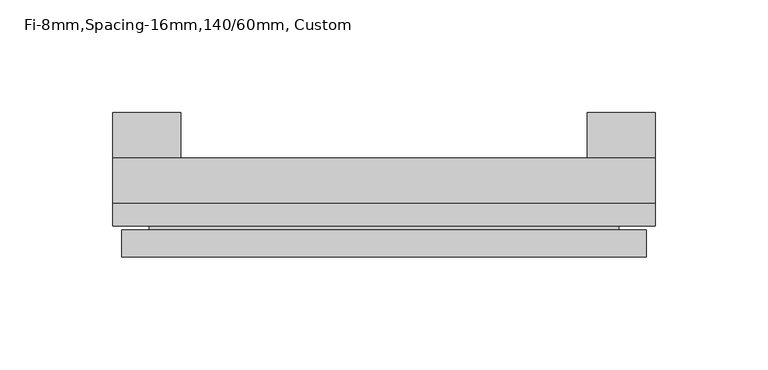
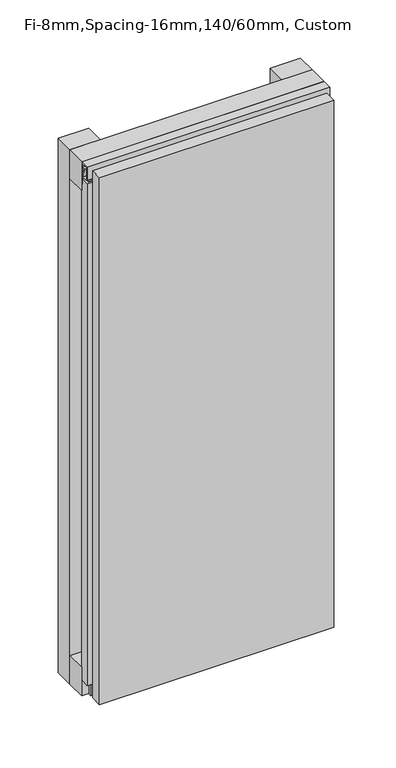
"""IFC4 building model written with IfcOpenShell, lengths in millimetres: plate geometry, Fi-8mm,Spacing-16mm,140/60mm, Custom."""

from ifc_helpers import new_model, si_unit, frame, origin, origin_with_axes, place, context, project, spatial, polyline, outline, extrude, faceted_brep, source, transform, mapped, element, save


def fi_8mm_spacing_16mm_140_60mm_custom_a5cd0857(model_context):
    return source(origin(), model_context, "Body", "SolidModel", [
        extrude(outline(polyline([(-120.0, -40.0), (-120.0, -20.0), (120.0, -20.0), (120.0, -40.0), (-120.0, -40.0)])), frame((0.0, 0.0, 530.0), z_axis=(0.0, 0.0, 1.0), x_axis=(1.0, 0.0, 0.0)), (0.0, 0.0, 1.0), 30.0),
        extrude(outline(polyline([(-120.0, -40.0), (-120.0, -20.0), (120.0, -20.0), (120.0, -40.0), (-120.0, -40.0)])), origin_with_axes(), (0.0, 0.0, 1.0), 30.0),
        extrude(outline(polyline([(90.0, 0.0), (120.0, 0.0), (120.0, -20.0), (90.0, -20.0), (90.0, 0.0)])), origin_with_axes(), (0.0, 0.0, 1.0), 560.0),
        extrude(outline(polyline([(-90.0, 0.0), (-90.0, -20.0), (-120.0, -20.0), (-120.0, 0.0), (-90.0, 0.0)])), origin_with_axes(), (0.0, 0.0, 1.0), 560.0),
        extrude(outline(polyline([(-40.0, 553.700916), (-43.5, 553.700916), (-40.0553267, 544.6441401), (-40.0553267, 537.008452), (-41.4553267, 537.008452), (-41.4553267, 544.4296606), (-45.5140545, 555.100916), (-41.4, 555.100916), (-41.4, 558.5843193), (-48.7, 558.5843193), (-48.7, 546.5843193), (-50.1, 546.5843193), (-50.1, 560.0), (-40.0, 560.0), (-40.0, 553.700916)])), frame((-120.0, 0.0, 0.0), z_axis=(1.0, 0.0, 0.0), x_axis=(0.0, 1.0, 0.0)), (0.0, 0.0, 1.0), 240.0),
        extrude(outline(polyline([(-113.700916, -40.0), (-113.700916, -43.5), (-104.6441401, -40.0553267), (-97.008452, -40.0553267), (-97.008452, -41.4553267), (-104.4296606, -41.4553267), (-115.100916, -45.5140545), (-115.100916, -41.4), (-118.5843193, -41.4), (-118.5843193, -48.7), (-106.5843193, -48.7), (-106.5843193, -50.1), (-120.0, -50.1), (-120.0, -40.0), (-113.700916, -40.0)])), frame((0.0, 0.0, 16.9558599), z_axis=(0.0, 0.0, 1.0), x_axis=(1.0, 0.0, 0.0)), (0.0, 0.0, 1.0), 526.0882802),
        faceted_brep([(116.0, -45.9, 556.0), (-116.0, -45.9, 556.0), (-116.0, -48.7, 556.0), (116.0, -48.7, 556.0), (-116.0, -63.9, 556.0), (116.0, -63.9, 556.0), (116.0, -51.9, 556.0), (-116.0, -51.9, 556.0), (-116.0, -45.9, 4.0), (116.0, -45.9, 4.0), (116.0, -48.7, 4.0), (-116.0, -48.7, 4.0), (116.0, -63.9, 4.0), (-116.0, -63.9, 4.0), (-116.0, -51.9, 4.0), (116.0, -51.9, 4.0), (104.0, -51.9, 544.0), (104.0, -51.9, 16.0), (104.0, -48.7, 16.0), (104.0, -48.7, 544.0), (-104.0, -51.9, 16.0), (-104.0, -48.7, 16.0), (-104.0, -51.9, 544.0), (-104.0, -48.7, 544.0)], [[[0, 1, 2, 3]], [[4, 5, 6, 7]], [[8, 9, 10, 11]], [[12, 13, 14, 15]], [[1, 0, 9, 8]], [[1, 8, 11, 2]], [[13, 4, 7, 14]], [[5, 4, 13, 12]], [[9, 0, 3, 10]], [[5, 12, 15, 6]], [[16, 17, 18, 19]], [[18, 17, 20, 21]], [[21, 20, 22, 23]], [[16, 19, 23, 22]], [[7, 6, 15, 14], [17, 16, 22, 20]], [[3, 2, 11, 10], [19, 18, 21, 23]]]),
    ])


if __name__ == "__main__":
    model = new_model("IFC4")
    model_context = context("Model", 3, world=origin())
    ifc_project = project(units=[si_unit("LENGTHUNIT", "METRE", prefix="MILLI")], contexts=[model_context])
    site = spatial("IfcSite", under=ifc_project)
    building = spatial("IfcBuilding", under=site)
    placement = place(None, origin())
    fi_8mm_spacing_16mm_140_60mm_custom_shape = fi_8mm_spacing_16mm_140_60mm_custom_a5cd0857(model_context)
    element("IfcPlate", 1, ObjectType="Fi-8mm,Spacing-16mm,140/60mm, Custom", at=placement, inside=building, context=model_context, shape_type="MappedRepresentation", body=[
        mapped(fi_8mm_spacing_16mm_140_60mm_custom_shape, transform((0.0, 0.0, 0.0), x_axis=(1.0, 0.0, 0.0), y_axis=(0.0, 1.0, 0.0), z_axis=(0.0, 0.0, 1.0))),
    ])
    save(model, "model.ifc")
